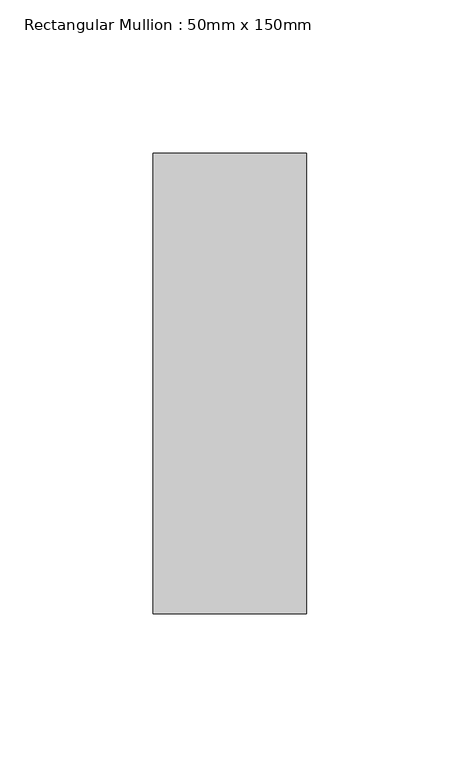
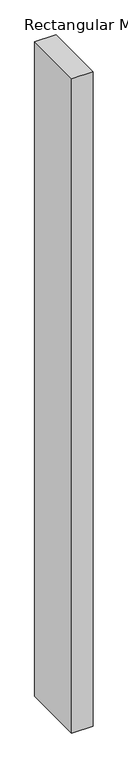
"""IFC4 building model written with IfcOpenShell, lengths in millimetres: member geometry, Rectangular Mullion : 50mm x 150mm."""

from ifc_helpers import new_model, si_unit, frame, origin, place, context, project, spatial, polyline, outline, extrude, source, transform, mapped, element, save


def rectangular_mullion_50mm_x_150mm_1b204a92(model_context):
    return source(origin(), model_context, "Body", "SweptSolid", [
        extrude(outline(polyline([(0.0, 75.0), (0.0, -75.0), (-50.0, -75.0), (-50.0, 75.0), (0.0, 75.0)])), frame((0.0, 0.0, -1617.368421), z_axis=(0.0, 0.0, 1.0), x_axis=(1.0, 0.0, 0.0)), (0.0, 0.0, 1.0), 1617.368421),
    ])


if __name__ == "__main__":
    model = new_model("IFC4")
    model_context = context("Model", 3, world=origin())
    ifc_project = project(units=[si_unit("LENGTHUNIT", "METRE", prefix="MILLI")], contexts=[model_context])
    site = spatial("IfcSite", under=ifc_project)
    building = spatial("IfcBuilding", under=site)
    placement = place(None, origin())
    rectangular_mullion_50mm_x_150mm_shape = rectangular_mullion_50mm_x_150mm_1b204a92(model_context)
    element("IfcMember", 1, ObjectType="Rectangular Mullion : 50mm x 150mm", at=placement, inside=building, context=model_context, shape_type="MappedRepresentation", body=[
        mapped(rectangular_mullion_50mm_x_150mm_shape, transform((0.0, 0.0, 0.0), x_axis=(1.0, 0.0, 0.0), y_axis=(0.0, 1.0, 0.0), z_axis=(0.0, 0.0, 1.0))),
    ])
    save(model, "model.ifc")
